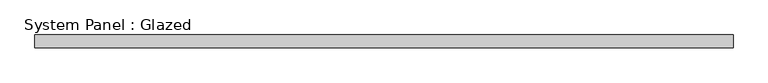
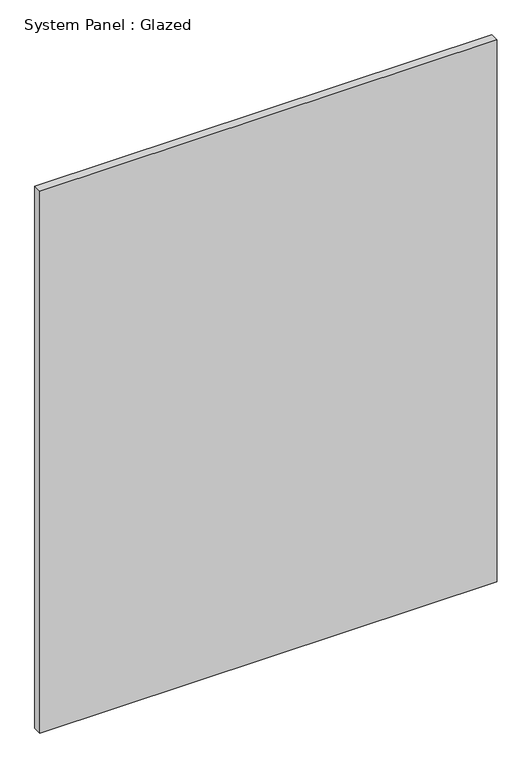
"""IFC4 building model written with IfcOpenShell, lengths in millimetres: plate geometry, System Panel : Glazed."""

import ifcopenshell
import ifcopenshell.guid

model = None  # the IFC model being written
_history = None  # IfcOwnerHistory: only IFC2X3 demands one
_inside = {}  # id of a spatial element -> (the spatial element, [elements in it])
_under = {}  # id of a project, library or spatial element -> (it, [spatial elements below it])
_declared = {}  # id of a project -> (the project, [libraries it declares])
_typed = {}  # id of a type object -> (the type object, [elements of that type])
_made_of = {}  # id of a material, layer set ... -> (it, [elements and type objects made of it])


def new_model(schema):
    """Start an empty IFC model of exactly this schema.

    Asked for "IFC4X3", IfcOpenShell would pick the latest addendum, in which some entities
    have other attributes; the version numbers below select the first issue.
    IFC2X3 requires an IfcOwnerHistory on every rooted entity: one is made here for all.
    """
    global model, _history
    if schema == "IFC4X3":
        model = ifcopenshell.file(schema_version=(4, 3, 0, 0))
    else:
        model = ifcopenshell.file(schema=schema)
    _inside.clear()
    _under.clear()
    _declared.clear()
    _typed.clear()
    _made_of.clear()
    _history = None
    if model.schema == "IFC2X3":
        org = make("IfcOrganization", Name="unknown")
        user = make(
            "IfcPersonAndOrganization",
            ThePerson=make("IfcPerson", FamilyName="unknown"),
            TheOrganization=org,
        )
        app = make(
            "IfcApplication",
            ApplicationDeveloper=org,
            Version="unknown",
            ApplicationFullName="unknown",
            ApplicationIdentifier="unknown",
        )
        _history = make(
            "IfcOwnerHistory",
            OwningUser=user,
            OwningApplication=app,
            ChangeAction="ADDED",
            CreationDate=0,
        )
    return model


def make(cls, **values):
    """One entity of the class cls with the attributes given. An attribute that is None is left unset."""
    return model.create_entity(
        cls, **{name: value for name, value in values.items() if value is not None}
    )


def rooted(cls, **values):
    """An entity with a GlobalId (a new one), such as an element, a storey or a relation."""
    return make(cls, GlobalId=ifcopenshell.guid.new(), OwnerHistory=_history, **values)


def si_unit(unit_type, name, prefix=None):
    """IfcSIUnit, for example si_unit("LENGTHUNIT", "METRE", prefix="MILLI")."""
    return make("IfcSIUnit", UnitType=unit_type, Prefix=prefix, Name=name)


def assignment(units):
    """IfcUnitAssignment: the units of a project."""
    return None if units is None else make("IfcUnitAssignment", Units=units)


def point(xyz):
    """IfcCartesianPoint."""
    return None if xyz is None else make("IfcCartesianPoint", Coordinates=xyz)


def direction(xyz):
    """IfcDirection."""
    return None if xyz is None else make("IfcDirection", DirectionRatios=xyz)


def frame(location, z_axis=None, x_axis=None):
    """IfcAxis2Placement3D, a coordinate frame: its origin and axes. An axis left out is left unset."""
    return make(
        "IfcAxis2Placement3D",
        Location=point(location),
        Axis=direction(z_axis),
        RefDirection=direction(x_axis),
    )


def origin():
    """The frame at (0, 0, 0) with its axes left unset."""
    return frame((0.0, 0.0, 0.0))


def origin_with_axes():
    """The frame at (0, 0, 0) with the z axis (0, 0, 1) and the x axis (1, 0, 0) written out."""
    return frame((0.0, 0.0, 0.0), z_axis=(0.0, 0.0, 1.0), x_axis=(1.0, 0.0, 0.0))


def place(relative_to, where):
    """IfcLocalPlacement: puts the frame where relative to a parent placement (None: the world)."""
    return make(
        "IfcLocalPlacement", PlacementRelTo=relative_to, RelativePlacement=where
    )


def context(
    kind, dimensions, precision=None, world=None, true_north=None, identifier=None
):
    """IfcGeometricRepresentationContext, for example the 3D "Model" context."""
    return make(
        "IfcGeometricRepresentationContext",
        ContextIdentifier=identifier,
        ContextType=kind,
        CoordinateSpaceDimension=dimensions,
        Precision=precision,
        WorldCoordinateSystem=world,
        TrueNorth=true_north,
    )


def project(units=None, contexts=None):
    """IfcProject with its units and contexts."""
    return rooted(
        "IfcProject",
        Name="project",
        RepresentationContexts=contexts,
        UnitsInContext=assignment(units),
    )


def spatial(cls, under=None, at=None, **own):
    """A site, building, storey or space (cls), placed at a placement, below another one or the project."""
    s = rooted(cls, ObjectPlacement=at, **own)
    if under is not None:
        _under.setdefault(under.id(), (under, []))[1].append(s)
    return s


def polyline(points):
    """IfcPolyline through the points."""
    return make("IfcPolyline", Points=[point(p) for p in points])


def outline(outer, holes=None, kind="AREA"):
    """IfcArbitraryClosedProfileDef: a profile drawn as a closed curve; with holes, ...WithVoids."""
    if holes is None:
        return make("IfcArbitraryClosedProfileDef", ProfileType=kind, OuterCurve=outer)
    return make(
        "IfcArbitraryProfileDefWithVoids",
        ProfileType=kind,
        OuterCurve=outer,
        InnerCurves=holes,
    )


def extrude(swept, where, along, depth):
    """IfcExtrudedAreaSolid: the profile swept, set in the frame where, extruded along a direction by depth."""
    return make(
        "IfcExtrudedAreaSolid",
        SweptArea=swept,
        Position=where,
        ExtrudedDirection=direction(along),
        Depth=depth,
    )


def shape(context_of_items, identifier, shape_type, items):
    """IfcShapeRepresentation: the items that make up one representation, for example the "Body"."""
    return make(
        "IfcShapeRepresentation",
        ContextOfItems=context_of_items,
        RepresentationIdentifier=identifier,
        RepresentationType=shape_type,
        Items=items,
    )


def source(mapping_origin, context_of_items, identifier, shape_type, items):
    """IfcRepresentationMap: a shape defined once, which mapped items show again and again."""
    return make(
        "IfcRepresentationMap",
        MappingOrigin=mapping_origin,
        MappedRepresentation=shape(context_of_items, identifier, shape_type, items),
    )


def transform(
    local_origin,
    x_axis=None,
    y_axis=None,
    z_axis=None,
    scale=None,
    scale2=None,
    scale3=None,
    uniform=True,
):
    """IfcCartesianTransformationOperator3D, or its non-uniform kind. x_axis, y_axis, z_axis: its Axis1, 2, 3."""
    if uniform:
        return make(
            "IfcCartesianTransformationOperator3D",
            Axis1=direction(x_axis),
            Axis2=direction(y_axis),
            LocalOrigin=point(local_origin),
            Scale=scale,
            Axis3=direction(z_axis),
        )
    return make(
        "IfcCartesianTransformationOperator3DnonUniform",
        Axis1=direction(x_axis),
        Axis2=direction(y_axis),
        LocalOrigin=point(local_origin),
        Scale=scale,
        Axis3=direction(z_axis),
        Scale2=scale2,
        Scale3=scale3,
    )


def mapped(mapping_source, mapping_target):
    """IfcMappedItem: shows the shape of a source again, moved by a transform."""
    return make(
        "IfcMappedItem", MappingSource=mapping_source, MappingTarget=mapping_target
    )


def made_of(thing, what):
    """Note that an element or type object is made of a material, layer set ...; save() writes the relation."""
    if what is not None:
        _made_of.setdefault(what.id(), (what, []))[1].append(thing)
    return thing


def element(
    cls,
    number,
    at=None,
    inside=None,
    cuts=None,
    type_object=None,
    material=None,
    context=None,
    identifier="Body",
    shape_type=None,
    held_by="IfcProductDefinitionShape",
    body=None,
    shapes=None,
    **own,
):
    """One element of the class cls, such as IfcWall. Its Tag is "e" and its number.

    at: its placement. inside: the storey or other place that contains it. cuts: it is an
    opening in that element (IfcRelVoidsElement). A single representation is given by context,
    identifier, shape_type and body (its items); several are given by shapes. held_by: the class
    of the entity that holds the representations. save() writes the other relations.
    """
    e = rooted(cls, Tag="e%d" % number, ObjectPlacement=at, **own)
    if body is not None:
        shapes = [shape(context, identifier, shape_type, body)]
    if shapes is not None:
        e.Representation = make(held_by, Representations=shapes)
    if inside is not None:
        _inside.setdefault(inside.id(), (inside, []))[1].append(e)
    if cuts is not None:
        rooted(
            "IfcRelVoidsElement", RelatingBuildingElement=cuts, RelatedOpeningElement=e
        )
    if type_object is not None:
        _typed.setdefault(type_object.id(), (type_object, []))[1].append(e)
    return made_of(e, material)


def aggregate(whole, parts):
    """IfcRelAggregates: a whole, such as a stair, and the parts it consists of."""
    return rooted("IfcRelAggregates", RelatingObject=whole, RelatedObjects=parts)


def save(model, path):
    """Write the relations noted so far, then the file.

    IfcRelAggregates (storeys below a building ...), IfcRelContainedInSpatialStructure (elements
    in a storey), IfcRelDefinesByType, IfcRelAssociatesMaterial and IfcRelDeclares: one each for
    every whole, place, type object, material and project.
    """
    for whole, parts in _under.values():
        aggregate(whole, parts)
    for where, things in _inside.values():
        rooted(
            "IfcRelContainedInSpatialStructure",
            RelatedElements=things,
            RelatingStructure=where,
        )
    for kind, things in _typed.values():
        rooted("IfcRelDefinesByType", RelatedObjects=things, RelatingType=kind)
    for what, things in _made_of.values():
        rooted("IfcRelAssociatesMaterial", RelatedObjects=things, RelatingMaterial=what)
    for by, libraries in _declared.values():
        rooted("IfcRelDeclares", RelatingContext=by, RelatedDefinitions=libraries)
    model.write(path)


def system_panel_glazed_c57adee2(model_context):
    return source(origin(), model_context, "Body", "SweptSolid", [
        extrude(outline(polyline([(692.15, -44.45), (-692.15, -44.45), (-692.15, -19.05), (692.15, -19.05), (692.15, -44.45)])), origin_with_axes(), (0.0, 0.0, 1.0), 1733.55),
    ])


if __name__ == "__main__":
    model = new_model("IFC4")
    model_context = context("Model", 3, world=origin())
    ifc_project = project(units=[si_unit("LENGTHUNIT", "METRE", prefix="MILLI")], contexts=[model_context])
    site = spatial("IfcSite", under=ifc_project)
    building = spatial("IfcBuilding", under=site)
    placement = place(None, origin())
    system_panel_glazed_shape = system_panel_glazed_c57adee2(model_context)
    element("IfcPlate", 1, ObjectType="System Panel : Glazed", at=placement, inside=building, context=model_context, shape_type="MappedRepresentation", body=[
        mapped(system_panel_glazed_shape, transform((0.0, 0.0, 0.0), x_axis=(1.0, 0.0, 0.0), y_axis=(0.0, 1.0, 0.0), z_axis=(0.0, 0.0, 1.0))),
    ])
    save(model, "model.ifc")
